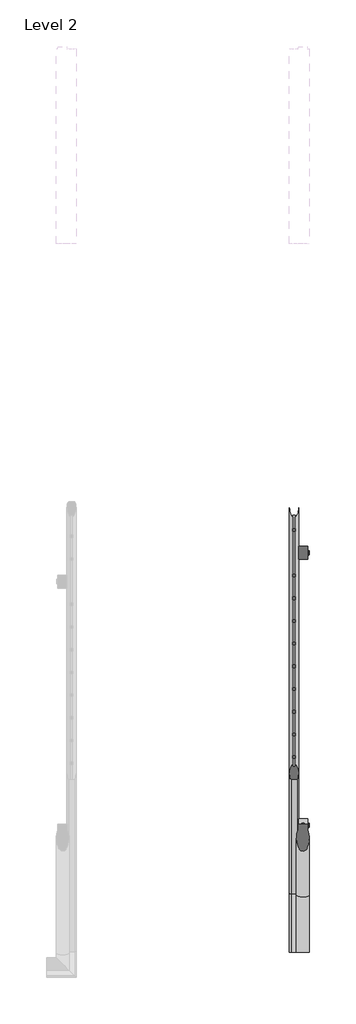
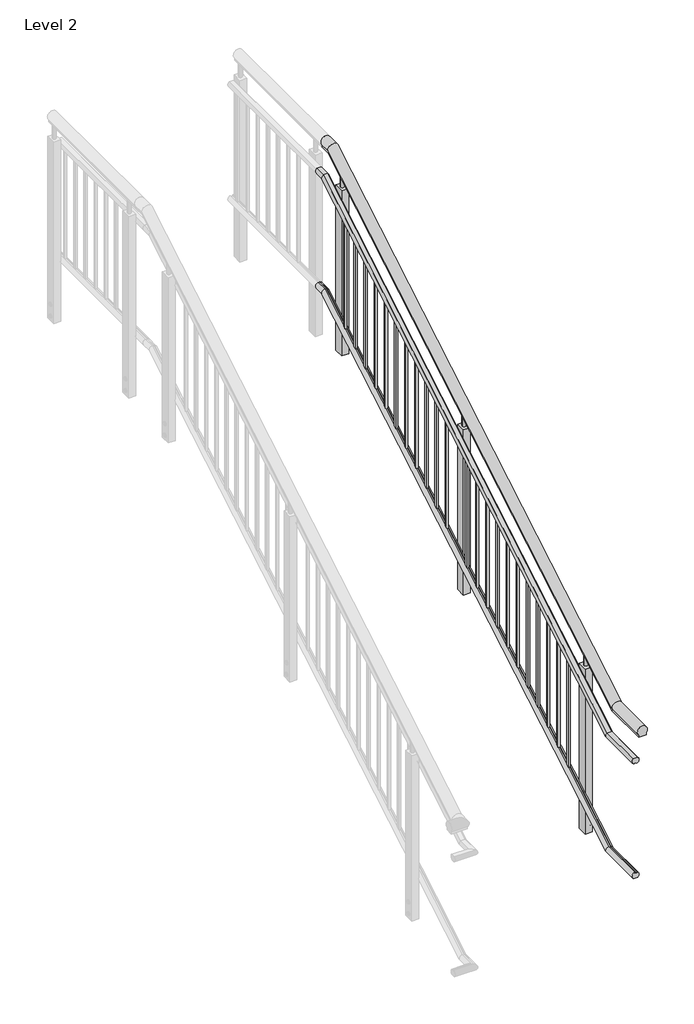
# One storey, part 3 of 4: 1 railing.
"""IFC4 building model written with IfcOpenShell, lengths in millimetres."""

from ifc_helpers import new_model, si_unit, point, frame, frame_2d, origin, place, context, project, spatial, polyline, circle_curve, ellipse_curve, trimmed, segment, composite_curve, outline, extrude, element, save
from ifc_brep_helpers import plane_surface, cylinder_surface, advanced_brep

model = new_model("IFC4")

# Units and contexts
model_context = context("Model", 3, world=origin())
ifc_project = project(units=[si_unit("LENGTHUNIT", "METRE", prefix="MILLI")], contexts=[model_context])

# Site, building, storey
site = spatial("IfcSite", under=ifc_project)
building = spatial("IfcBuilding", under=site)
storey = spatial("IfcBuildingStorey", under=building, Name="Level 2", Elevation=4000.0)

# Railing
placement = place(None, origin())
element("IfcRailing", 1, ObjectType="MT_Accessible stair with Balustrade_Level 3_Left", at=placement, inside=storey, context=model_context, shape_type="SolidModel", body=[
    advanced_brep(
    [(-108.8403154, -553.4846869, 5032.4599864), (-150.5403154, -553.4846869, 5032.4599864), (-150.5403154, -553.4846869, 5019.6542542), (-108.8403154, -553.4846869, 5019.6542542), (-108.8403154, -297.6306864, 5032.4599864), (-150.5403154, -297.6306864, 5032.4599864), (-150.5403154, -294.1232112, 5019.6542542), (-108.8403154, -294.1232112, 5019.6542542), (-108.8403154, 2502.5558159, 6690.8057322), (-150.5403154, 2502.5558159, 6690.8057322), (-150.5403154, 2506.0632911, 6678.0), (-108.8403154, 2506.0632911, 6678.0), (-108.8403154, 2566.5153131, 6690.8057322), (-108.8403154, 2566.5153131, 6678.0), (-150.5403154, 2566.5153131, 6678.0), (-150.5403154, 2566.5153131, 6690.8057322)],
    [
        (0, 1, circle_curve(frame((-129.6903154, -553.4846869, 5051.6542542), z_axis=(0.0, -1.0, 0.0), x_axis=(-1.0, 0.0, 0.0)), 28.3397674)),
        (1, 2),
        (2, 3),
        (3, 0),
        (0, 4),
        (4, 5, ellipse_curve(frame((-129.6903154, -302.8879742, 5051.6542542), z_axis=(0.0, -0.964476413803478, -0.2641689747430273), x_axis=(0.0, -0.26416897474302714, 0.9644764138034783)), 29.3835775, 28.3397674)),
        (5, 1),
        (5, 6),
        (6, 2),
        (6, 7),
        (7, 3),
        (7, 4),
        (4, 8),
        (8, 9, ellipse_curve(frame((-129.6903154, 2497.2985281, 6710.0), z_axis=(0.0, -0.964476413803478, -0.26416897474302725), x_axis=(0.0, 0.2641689747430275, -0.964476413803478)), 29.3835775, 28.3397674)),
        (9, 5),
        (9, 10),
        (10, 6),
        (10, 11),
        (11, 7),
        (11, 8),
        (12, 13),
        (13, 14),
        (14, 15),
        (15, 12, circle_curve(frame((-129.6903154, 2566.5153131, 6710.0), z_axis=(0.0, 1.0, 0.0), x_axis=(-1.0, 0.0, 0.0)), 28.3397674)),
        (8, 12),
        (15, 9),
        (14, 10),
        (13, 11),
    ],
    [
        plane_surface(frame((-129.6903154, -553.4846869, 5019.6542542), z_axis=(0.0, -1.0, 0.0), x_axis=(0.0, 0.0, 1.0))),
        cylinder_surface(frame((-129.6903154, -553.4846869, 5051.6542542), z_axis=(0.0, -1.0, 0.0), x_axis=(-1.0, 0.0, 0.0)), 28.3397674),
        plane_surface(frame((-150.5403154, -553.4846869, 5032.4599864), z_axis=(-1.0, 0.0, 0.0), x_axis=(0.0, 1.0, 0.0))),
        plane_surface(frame((-150.5403154, -553.4846869, 5019.6542542), z_axis=(0.0, 0.0, -1.0), x_axis=(0.0, 1.0, 0.0))),
        plane_surface(frame((-108.8403154, -553.4846869, 5019.6542542), z_axis=(1.0, 0.0, 0.0), x_axis=(0.0, 1.0, 0.0))),
        cylinder_surface(frame((-129.6903154, -310.4294349, 5047.1879984), z_axis=(0.0, -0.8604295055664356, -0.5095694907965931), x_axis=(-1.0, 0.0, 0.0)), 28.3397674),
        plane_surface(frame((-150.5403154, -297.6306864, 5032.4599864), z_axis=(-1.0, 0.0, 0.0), x_axis=(0.0, 0.8604295055664356, 0.5095694907965932))),
        plane_surface(frame((-150.5403154, -294.1232112, 5019.6542542), z_axis=(0.0, 0.5095694907965932, -0.8604295055664356), x_axis=(0.0, 0.8604295055664356, 0.5095694907965932))),
        plane_surface(frame((-108.8403154, -294.1232112, 5019.6542542), z_axis=(1.0, 0.0, 0.0), x_axis=(0.0, 0.8604295055664356, 0.5095694907965932))),
        plane_surface(frame((-129.6903154, 2566.5153131, 6678.0), z_axis=(0.0, 1.0, 0.0), x_axis=(0.0, 0.0, 1.0))),
        cylinder_surface(frame((-129.6903154, 2506.0632911, 6710.0), z_axis=(0.0, -1.0, 0.0), x_axis=(-1.0, 0.0, 0.0)), 28.3397674),
        plane_surface(frame((-150.5403154, 2502.5558159, 6690.8057322), z_axis=(-1.0, 0.0, 0.0), x_axis=(0.0, 1.0, 0.0))),
        plane_surface(frame((-150.5403154, 2506.0632911, 6678.0), z_axis=(0.0, 0.0, -1.0), x_axis=(0.0, 1.0, 0.0))),
        plane_surface(frame((-108.8403154, 2506.0632911, 6678.0), z_axis=(1.0, 0.0, 0.0), x_axis=(0.0, 1.0, 0.0))),
    ],
    [
        (0, [[1, 2, 3, 4]]),
        (1, [[-1, 5, 6, 7]]),
        (2, [[-2, -7, 8, 9]]),
        (3, [[-3, -9, 10, 11]]),
        (4, [[-4, -11, 12, -5]]),
        (5, [[-6, 13, 14, 15]]),
        (6, [[-8, -15, 16, 17]]),
        (7, [[-10, -17, 18, 19]]),
        (8, [[-12, -19, 20, -13]]),
        (9, [[21, 22, 23, 24]]),
        (10, [[-14, 25, -24, 26]]),
        (11, [[-16, -26, -23, 27]]),
        (12, [[-18, -27, -22, 28]]),
        (13, [[-20, -28, -21, -25]]),
    ],
),
    advanced_brep(
    [(-174.9064602, 2566.5153131, 6525.9454038), (-182.0588394, 2566.5153131, 6560.0), (-155.6013263, 2566.5153131, 6560.0), (-163.3238656, 2566.5153131, 6525.7728949), (-163.3238656, 2566.5153131, 6530.0), (-174.9064602, 2566.5153131, 6530.0), (-174.9064602, 2511.282323, 6525.9454038), (-182.0588394, 2501.9548084, 6560.0), (-155.6013263, 2501.9548084, 6560.0), (-163.3238656, 2511.329573, 6525.7728949), (-163.3238656, 2510.1717738, 6530.0), (-174.9064602, 2510.1717738, 6530.0), (-174.9064602, -553.4846869, 4867.599658), (-174.9064602, -553.4846869, 4871.6542542), (-163.3238656, -553.4846869, 4871.6542542), (-163.3238656, -553.4846869, 4867.4271491), (-155.6013263, -553.4846869, 4901.6542542), (-182.0588394, -553.4846869, 4901.6542542), (-174.9064602, -288.9041793, 4867.599658), (-174.9064602, -290.0147285, 4871.6542542), (-163.3238656, -290.0147285, 4871.6542542), (-163.3238656, -288.8569293, 4867.4271491), (-155.6013263, -298.2316939, 4901.6542542), (-182.0588394, -298.2316939, 4901.6542542)],
    [
        (0, 1, circle_curve(frame((-168.8300828, 2566.5153131, 6545.0), z_axis=(0.0, 1.0, 0.0), x_axis=(0.0, 0.0, 1.0)), 20.0)),
        (1, 2),
        (2, 3, circle_curve(frame((-168.8300828, 2566.5153131, 6545.0), z_axis=(0.0, 1.0, 0.0), x_axis=(0.0, 0.0, 1.0)), 20.0)),
        (3, 4),
        (4, 5),
        (5, 0),
        (6, 7, ellipse_curve(frame((-168.8300828, 2506.0632911, 6545.0), z_axis=(0.0, 0.964476413803478, 0.26416897474302725), x_axis=(0.0, -0.26416897474302714, 0.9644764138034783)), 20.7366398, 20.0)),
        (7, 1),
        (0, 6),
        (7, 8),
        (8, 2),
        (8, 9, ellipse_curve(frame((-168.8300828, 2506.0632911, 6545.0), z_axis=(0.0, 0.964476413803478, 0.26416897474302725), x_axis=(0.0, -0.26416897474302714, 0.9644764138034783)), 20.7366398, 20.0)),
        (9, 3),
        (9, 10),
        (10, 4),
        (10, 11),
        (11, 5),
        (11, 6),
        (12, 13),
        (13, 14),
        (14, 15),
        (15, 16, circle_curve(frame((-168.8300828, -553.4846869, 4886.6542542), z_axis=(0.0, -1.0, 0.0), x_axis=(0.0, 0.0, 1.0)), 20.0)),
        (16, 17),
        (17, 12, circle_curve(frame((-168.8300828, -553.4846869, 4886.6542542), z_axis=(0.0, -1.0, 0.0), x_axis=(0.0, 0.0, 1.0)), 20.0)),
        (12, 18),
        (18, 19),
        (19, 13),
        (19, 20),
        (20, 14),
        (20, 21),
        (21, 15),
        (21, 22, ellipse_curve(frame((-168.8300828, -294.1232112, 4886.6542542), z_axis=(0.0, -0.964476413803478, -0.2641689747430273), x_axis=(0.0, -0.26416897474302714, 0.9644764138034783)), 20.7366398, 20.0)),
        (22, 16),
        (22, 23),
        (23, 17),
        (23, 18, ellipse_curve(frame((-168.8300828, -294.1232112, 4886.6542542), z_axis=(0.0, -0.964476413803478, -0.2641689747430273), x_axis=(0.0, -0.26416897474302714, 0.9644764138034783)), 20.7366398, 20.0)),
        (18, 6),
        (11, 19),
        (10, 20),
        (9, 21),
        (8, 22),
        (7, 23),
    ],
    [
        plane_surface(frame((-168.8300828, 2566.5153131, 6545.0), z_axis=(0.0, 1.0, 0.0), x_axis=(0.0, 0.0, 1.0))),
        cylinder_surface(frame((-168.8300828, 2506.0632911, 6545.0), z_axis=(0.0, -1.0, 0.0), x_axis=(0.0, 0.0, 1.0)), 20.0),
        plane_surface(frame((-155.6013263, 2501.9548084, 6560.0), z_axis=(0.0, 0.0, 1.0), x_axis=(0.0, 1.0, 0.0))),
        plane_surface(frame((-163.3238656, 2510.1717738, 6530.0), z_axis=(-1.0, 0.0, 0.0), x_axis=(0.0, 1.0, 0.0))),
        plane_surface(frame((-174.9064602, 2510.1717738, 6530.0), z_axis=(0.0, 0.0, -1.0), x_axis=(0.0, 1.0, 0.0))),
        plane_surface(frame((-174.9064602, 2511.282323, 6525.9454038), z_axis=(1.0, 0.0, 0.0), x_axis=(0.0, 1.0, 0.0))),
        plane_surface(frame((-168.8300828, -553.4846869, 4886.6542542), z_axis=(0.0, -1.0, 0.0), x_axis=(0.0, 0.0, 1.0))),
        plane_surface(frame((-174.9064602, -553.4846869, 4867.599658), z_axis=(1.0, 0.0, 0.0), x_axis=(0.0, 1.0, 0.0))),
        plane_surface(frame((-174.9064602, -553.4846869, 4871.6542542), z_axis=(0.0, 0.0, -1.0), x_axis=(0.0, 1.0, 0.0))),
        plane_surface(frame((-163.3238656, -553.4846869, 4871.6542542), z_axis=(-1.0, 0.0, 0.0), x_axis=(0.0, 1.0, 0.0))),
        cylinder_surface(frame((-168.8300828, -553.4846869, 4886.6542542), z_axis=(0.0, -1.0, 0.0), x_axis=(0.0, 0.0, 1.0)), 20.0),
        plane_surface(frame((-155.6013263, -553.4846869, 4901.6542542), z_axis=(0.0, 0.0, 1.0), x_axis=(0.0, 1.0, 0.0))),
        plane_surface(frame((-174.9064602, -288.9041793, 4867.599658), z_axis=(1.0000000000000002, 0.0, 0.0), x_axis=(0.0, 0.8604295055664357, 0.5095694907965931))),
        plane_surface(frame((-174.9064602, -290.0147285, 4871.6542542), z_axis=(0.0, 0.5095694907965931, -0.8604295055664357), x_axis=(0.0, 0.8604295055664357, 0.5095694907965931))),
        plane_surface(frame((-163.3238656, -290.0147285, 4871.6542542), z_axis=(-1.0000000000000002, 0.0, 0.0), x_axis=(0.0, 0.8604295055664357, 0.5095694907965931))),
        cylinder_surface(frame((-168.8300828, -294.1232112, 4886.6542542), z_axis=(0.0, -0.8604295055664356, -0.5095694907965931), x_axis=(0.0, -0.5095694907965931, 0.8604295055664356)), 20.0),
        plane_surface(frame((-155.6013263, -298.2316939, 4901.6542542), z_axis=(0.0, -0.5095694907965932, 0.8604295055664356), x_axis=(0.0, 0.8604295055664356, 0.5095694907965932))),
    ],
    [
        (0, [[1, 2, 3, 4, 5, 6]]),
        (1, [[7, 8, -1, 9]]),
        (2, [[10, 11, -2, -8]]),
        (1, [[12, 13, -3, -11]]),
        (3, [[14, 15, -4, -13]]),
        (4, [[16, 17, -5, -15]]),
        (5, [[18, -9, -6, -17]]),
        (6, [[19, 20, 21, 22, 23, 24]]),
        (7, [[-19, 25, 26, 27]]),
        (8, [[-20, -27, 28, 29]]),
        (9, [[-21, -29, 30, 31]]),
        (10, [[-22, -31, 32, 33]]),
        (11, [[-23, -33, 34, 35]]),
        (10, [[-24, -35, 36, -25]]),
        (12, [[-26, 37, -18, 38]]),
        (13, [[-28, -38, -16, 39]]),
        (14, [[-30, -39, -14, 40]]),
        (15, [[-32, -40, -12, 41]]),
        (16, [[-34, -41, -10, 42]]),
        (15, [[-36, -42, -7, -37]]),
    ],
),
    advanced_brep(
    [(-162.7537055, 2566.5153131, 5873.0545962), (-155.6013263, 2566.5153131, 5839.0), (-182.0588394, 2566.5153131, 5839.0), (-174.3363, 2566.5153131, 5873.2271051), (-174.3363, 2566.5153131, 5869.0), (-162.7537055, 2566.5153131, 5869.0), (-162.7537055, 2500.8442592, 5873.0545962), (-155.6013263, 2510.1717738, 5839.0), (-182.0588394, 2510.1717738, 5839.0), (-174.3363, 2500.7970092, 5873.2271051), (-174.3363, 2501.9548084, 5869.0), (-162.7537055, 2501.9548084, 5869.0), (-162.7537055, -553.4846869, 4214.7088504), (-162.7537055, -553.4846869, 4210.6542542), (-174.3363, -553.4846869, 4210.6542542), (-174.3363, -553.4846869, 4214.8813593), (-182.0588394, -553.4846869, 4180.6542542), (-155.6013263, -553.4846869, 4180.6542542), (-162.7537055, -299.3422431, 4214.7088504), (-162.7537055, -298.2316939, 4210.6542542), (-174.3363, -298.2316939, 4210.6542542), (-174.3363, -299.3894931, 4214.8813593), (-182.0588394, -290.0147285, 4180.6542542), (-155.6013263, -290.0147285, 4180.6542542)],
    [
        (0, 1, circle_curve(frame((-168.8300828, 2566.5153131, 5854.0), z_axis=(0.0, 1.0, 0.0), x_axis=(0.0, 0.0, -1.0)), 20.0)),
        (1, 2),
        (2, 3, circle_curve(frame((-168.8300828, 2566.5153131, 5854.0), z_axis=(0.0, 1.0, 0.0), x_axis=(0.0, 0.0, -1.0)), 20.0)),
        (3, 4),
        (4, 5),
        (5, 0),
        (6, 7, ellipse_curve(frame((-168.8300828, 2506.0632911, 5854.0), z_axis=(0.0, 0.9644764138034779, 0.26416897474302736), x_axis=(0.0, -0.26416897474302786, 0.9644764138034778)), 20.7366398, 20.0)),
        (7, 1),
        (0, 6),
        (7, 8),
        (8, 2),
        (8, 9, ellipse_curve(frame((-168.8300828, 2506.0632911, 5854.0), z_axis=(0.0, 0.9644764138034779, 0.26416897474302736), x_axis=(0.0, -0.26416897474302786, 0.9644764138034778)), 20.7366398, 20.0)),
        (9, 3),
        (9, 10),
        (10, 4),
        (10, 11),
        (11, 5),
        (11, 6),
        (12, 13),
        (13, 14),
        (14, 15),
        (15, 16, circle_curve(frame((-168.8300828, -553.4846869, 4195.6542542), z_axis=(0.0, -1.0, 0.0), x_axis=(0.0, 0.0, -1.0)), 20.0)),
        (16, 17),
        (17, 12, circle_curve(frame((-168.8300828, -553.4846869, 4195.6542542), z_axis=(0.0, -1.0, 0.0), x_axis=(0.0, 0.0, -1.0)), 20.0)),
        (12, 18),
        (18, 19),
        (19, 13),
        (19, 20),
        (20, 14),
        (20, 21),
        (21, 15),
        (21, 22, ellipse_curve(frame((-168.8300828, -294.1232112, 4195.6542542), z_axis=(0.0, -0.9644764138034779, -0.26416897474302736), x_axis=(0.0, -0.26416897474302786, 0.9644764138034778)), 20.7366398, 20.0)),
        (22, 16),
        (22, 23),
        (23, 17),
        (23, 18, ellipse_curve(frame((-168.8300828, -294.1232112, 4195.6542542), z_axis=(0.0, -0.9644764138034779, -0.26416897474302736), x_axis=(0.0, -0.26416897474302786, 0.9644764138034778)), 20.7366398, 20.0)),
        (18, 6),
        (11, 19),
        (10, 20),
        (9, 21),
        (8, 22),
        (7, 23),
    ],
    [
        plane_surface(frame((-168.8300828, 2566.5153131, 5854.0), z_axis=(0.0, 1.0, 0.0), x_axis=(0.0, 0.0, 1.0))),
        cylinder_surface(frame((-168.8300828, 2506.0632911, 5854.0), z_axis=(0.0, -1.0, 0.0), x_axis=(0.0, 0.0, -1.0)), 20.0),
        plane_surface(frame((-182.0588394, 2510.1717738, 5839.0), z_axis=(0.0, 0.0, -1.0), x_axis=(0.0, 1.0, 0.0))),
        plane_surface(frame((-174.3363, 2501.9548084, 5869.0), z_axis=(1.0, 0.0, 0.0), x_axis=(0.0, 1.0, 0.0))),
        plane_surface(frame((-162.7537055, 2501.9548084, 5869.0), z_axis=(0.0, 0.0, 1.0), x_axis=(0.0, 1.0, 0.0))),
        plane_surface(frame((-162.7537055, 2500.8442592, 5873.0545962), z_axis=(-1.0, 0.0, 0.0), x_axis=(0.0, 1.0, 0.0))),
        plane_surface(frame((-168.8300828, -553.4846869, 4195.6542542), z_axis=(0.0, -1.0, 0.0), x_axis=(0.0, 0.0, 1.0))),
        plane_surface(frame((-162.7537055, -553.4846869, 4214.7088504), z_axis=(-1.0, 0.0, 0.0), x_axis=(0.0, 1.0, 0.0))),
        plane_surface(frame((-162.7537055, -553.4846869, 4210.6542542), z_axis=(0.0, 0.0, 1.0), x_axis=(0.0, 1.0, 0.0))),
        plane_surface(frame((-174.3363, -553.4846869, 4210.6542542), z_axis=(1.0, 0.0, 0.0), x_axis=(0.0, 1.0, 0.0))),
        cylinder_surface(frame((-168.8300828, -553.4846869, 4195.6542542), z_axis=(0.0, -1.0, 0.0), x_axis=(0.0, 0.0, -1.0)), 20.0),
        plane_surface(frame((-182.0588394, -553.4846869, 4180.6542542), z_axis=(0.0, 0.0, -1.0), x_axis=(0.0, 1.0, 0.0))),
        plane_surface(frame((-162.7537055, -299.3422431, 4214.7088504), z_axis=(-1.0, 0.0, 0.0), x_axis=(0.0, 0.8604295055664356, 0.5095694907965931))),
        plane_surface(frame((-162.7537055, -298.2316939, 4210.6542542), z_axis=(0.0, -0.5095694907965934, 0.8604295055664355), x_axis=(0.0, 0.8604295055664355, 0.5095694907965934))),
        plane_surface(frame((-174.3363, -298.2316939, 4210.6542542), z_axis=(1.0, 0.0, 0.0), x_axis=(0.0, 0.8604295055664355, 0.5095694907965934))),
        cylinder_surface(frame((-168.8300828, -294.1232112, 4195.6542542), z_axis=(0.0, -0.8604295055664356, -0.5095694907965933), x_axis=(0.0, 0.5095694907965933, -0.8604295055664356)), 20.0),
        plane_surface(frame((-182.0588394, -290.0147285, 4180.6542542), z_axis=(0.0, 0.5095694907965933, -0.8604295055664356), x_axis=(0.0, 0.8604295055664356, 0.5095694907965933))),
    ],
    [
        (0, [[1, 2, 3, 4, 5, 6]]),
        (1, [[7, 8, -1, 9]]),
        (2, [[10, 11, -2, -8]]),
        (1, [[12, 13, -3, -11]]),
        (3, [[14, 15, -4, -13]]),
        (4, [[16, 17, -5, -15]]),
        (5, [[18, -9, -6, -17]]),
        (6, [[19, 20, 21, 22, 23, 24]]),
        (7, [[-19, 25, 26, 27]]),
        (8, [[-20, -27, 28, 29]]),
        (9, [[-21, -29, 30, 31]]),
        (10, [[-22, -31, 32, 33]]),
        (11, [[-23, -33, 34, 35]]),
        (10, [[-24, -35, 36, -25]]),
        (12, [[-26, 37, -18, 38]]),
        (13, [[-28, -38, -16, 39]]),
        (14, [[-30, -39, -14, 40]]),
        (15, [[-32, -40, -12, 41]]),
        (16, [[-34, -41, -10, 42]]),
        (15, [[-36, -42, -7, -37]]),
    ],
),
    extrude(outline(polyline([(2405.97004, 5577.0464014), (2415.97004, 5571.2728987), (2415.97004, 5559.7258933), (2405.97004, 5553.9523906), (2395.97004, 5559.7258933), (2395.97004, 5571.2728987), (2405.97004, 5577.0464014)])), frame((-108.8300828, 0.0, 0.0), z_axis=(1.0, 0.0, 0.0), x_axis=(0.0, 1.0, 0.0)), (0.0, 0.0, 1.0), 4.0),
    extrude(outline(polyline([(2405.97004, 5647.0464014), (2415.97004, 5641.2728987), (2415.97004, 5629.7258933), (2405.97004, 5623.9523906), (2395.97004, 5629.7258933), (2395.97004, 5641.2728987), (2405.97004, 5647.0464014)])), frame((-108.8300828, 0.0, 0.0), z_axis=(1.0, 0.0, 0.0), x_axis=(0.0, 1.0, 0.0)), (0.0, 0.0, 1.0), 4.0),
    extrude(outline(composite_curve([segment(trimmed(circle_curve(frame_2d((2405.97004, 5565.499396)), 8.0), [point((2397.97004, 5565.499396))], [point((2413.97004, 5565.499396))], False, "CARTESIAN"), True, "CONTINUOUS"), segment(trimmed(circle_curve(frame_2d((2405.97004, 5565.499396)), 8.0), [point((2413.97004, 5565.499396))], [point((2397.97004, 5565.499396))], False, "CARTESIAN"), True, "CONTINUOUS")], self_intersect=False)), frame((-108.8300828, 0.0, 0.0), z_axis=(1.0, 0.0, 0.0), x_axis=(0.0, 1.0, 0.0)), (0.0, 0.0, 1.0), 6.0),
    extrude(outline(composite_curve([segment(trimmed(circle_curve(frame_2d((2405.97004, 5635.499396)), 8.0), [point((2397.97004, 5635.499396))], [point((2413.97004, 5635.499396))], False, "CARTESIAN"), True, "CONTINUOUS"), segment(trimmed(circle_curve(frame_2d((2405.97004, 5635.499396)), 8.0), [point((2413.97004, 5635.499396))], [point((2397.97004, 5635.499396))], False, "CARTESIAN"), True, "CONTINUOUS")], self_intersect=False)), frame((-108.8300828, 0.0, 0.0), z_axis=(1.0, 0.0, 0.0), x_axis=(0.0, 1.0, 0.0)), (0.0, 0.0, 1.0), 6.0),
    extrude(outline(composite_curve([segment(trimmed(circle_curve(frame_2d((-128.8300828, 2405.97004)), 10.0), [point((-118.8300828, 2405.97004))], [point((-138.8300828, 2405.97004))], False, "CARTESIAN"), True, "CONTINUOUS"), segment(trimmed(circle_curve(frame_2d((-128.8300828, 2405.97004)), 10.0), [point((-138.8300828, 2405.97004))], [point((-118.8300828, 2405.97004))], False, "CARTESIAN"), True, "CONTINUOUS")], self_intersect=False)), frame((0.0, 0.0, 6529.499396), z_axis=(0.0, 0.0, 1.0), x_axis=(1.0, 0.0, 0.0)), (0.0, 0.0, 1.0), 100.0),
    extrude(outline(polyline([(-148.8300828, 2376.97004), (-148.8300828, 2434.97004), (-108.8300828, 2434.97004), (-108.8300828, 2376.97004), (-148.8300828, 2376.97004)])), frame((0.0, 0.0, 5535.499396), z_axis=(0.0, 0.0, 1.0), x_axis=(1.0, 0.0, 0.0)), (0.0, 0.0, 1.0), 994.0),
    extrude(outline(polyline([(-174.8300828, 2299.97004), (-174.8300828, 2311.97004), (-162.8300828, 2311.97004), (-162.8300828, 2299.97004), (-174.8300828, 2299.97004)])), frame((0.0, 0.0, 5746.2767069), z_axis=(0.0, 0.0, 1.0), x_axis=(1.0, 0.0, 0.0)), (0.0, 0.0, 1.0), 671.0),
    extrude(outline(polyline([(-174.8300828, 2199.97004), (-174.8300828, 2211.97004), (-162.8300828, 2211.97004), (-162.8300828, 2199.97004), (-174.8300828, 2199.97004)])), frame((0.0, 0.0, 5687.0540179), z_axis=(0.0, 0.0, 1.0), x_axis=(1.0, 0.0, 0.0)), (0.0, 0.0, 1.0), 671.0),
    extrude(outline(polyline([(-174.8300828, 2099.97004), (-174.8300828, 2111.97004), (-162.8300828, 2111.97004), (-162.8300828, 2099.97004), (-174.8300828, 2099.97004)])), frame((0.0, 0.0, 5627.8313288), z_axis=(0.0, 0.0, 1.0), x_axis=(1.0, 0.0, 0.0)), (0.0, 0.0, 1.0), 671.0),
    extrude(outline(polyline([(-174.8300828, 1999.97004), (-174.8300828, 2011.97004), (-162.8300828, 2011.97004), (-162.8300828, 1999.97004), (-174.8300828, 1999.97004)])), frame((0.0, 0.0, 5568.6086397), z_axis=(0.0, 0.0, 1.0), x_axis=(1.0, 0.0, 0.0)), (0.0, 0.0, 1.0), 671.0),
    extrude(outline(polyline([(-174.8300828, 1899.97004), (-174.8300828, 1911.97004), (-162.8300828, 1911.97004), (-162.8300828, 1899.97004), (-174.8300828, 1899.97004)])), frame((0.0, 0.0, 5509.3859506), z_axis=(0.0, 0.0, 1.0), x_axis=(1.0, 0.0, 0.0)), (0.0, 0.0, 1.0), 671.0),
    extrude(outline(polyline([(-174.8300828, 1799.97004), (-174.8300828, 1811.97004), (-162.8300828, 1811.97004), (-162.8300828, 1799.97004), (-174.8300828, 1799.97004)])), frame((0.0, 0.0, 5450.1632616), z_axis=(0.0, 0.0, 1.0), x_axis=(1.0, 0.0, 0.0)), (0.0, 0.0, 1.0), 671.0),
    extrude(outline(polyline([(-174.8300828, 1699.97004), (-174.8300828, 1711.97004), (-162.8300828, 1711.97004), (-162.8300828, 1699.97004), (-174.8300828, 1699.97004)])), frame((0.0, 0.0, 5390.9405725), z_axis=(0.0, 0.0, 1.0), x_axis=(1.0, 0.0, 0.0)), (0.0, 0.0, 1.0), 671.0),
    extrude(outline(polyline([(-174.8300828, 1599.97004), (-174.8300828, 1611.97004), (-162.8300828, 1611.97004), (-162.8300828, 1599.97004), (-174.8300828, 1599.97004)])), frame((0.0, 0.0, 5331.7178834), z_axis=(0.0, 0.0, 1.0), x_axis=(1.0, 0.0, 0.0)), (0.0, 0.0, 1.0), 671.0),
    extrude(outline(polyline([(-174.8300828, 1499.97004), (-174.8300828, 1511.97004), (-162.8300828, 1511.97004), (-162.8300828, 1499.97004), (-174.8300828, 1499.97004)])), frame((0.0, 0.0, 5272.4951943), z_axis=(0.0, 0.0, 1.0), x_axis=(1.0, 0.0, 0.0)), (0.0, 0.0, 1.0), 671.0),
    extrude(outline(polyline([(-174.8300828, 1399.97004), (-174.8300828, 1411.97004), (-162.8300828, 1411.97004), (-162.8300828, 1399.97004), (-174.8300828, 1399.97004)])), frame((0.0, 0.0, 5213.2725053), z_axis=(0.0, 0.0, 1.0), x_axis=(1.0, 0.0, 0.0)), (0.0, 0.0, 1.0), 671.0),
    extrude(outline(polyline([(-174.8300828, 1299.97004), (-174.8300828, 1311.97004), (-162.8300828, 1311.97004), (-162.8300828, 1299.97004), (-174.8300828, 1299.97004)])), frame((0.0, 0.0, 5154.0498162), z_axis=(0.0, 0.0, 1.0), x_axis=(1.0, 0.0, 0.0)), (0.0, 0.0, 1.0), 671.0),
    extrude(outline(polyline([(1205.97004, 4866.3741325), (1215.97004, 4860.6006298), (1215.97004, 4849.0536244), (1205.97004, 4843.2801217), (1195.97004, 4849.0536244), (1195.97004, 4860.6006298), (1205.97004, 4866.3741325)])), frame((-108.8300828, 0.0, 0.0), z_axis=(1.0, 0.0, 0.0), x_axis=(0.0, 1.0, 0.0)), (0.0, 0.0, 1.0), 4.0),
    extrude(outline(polyline([(1205.97004, 4936.3741325), (1215.97004, 4930.6006298), (1215.97004, 4919.0536244), (1205.97004, 4913.2801217), (1195.97004, 4919.0536244), (1195.97004, 4930.6006298), (1205.97004, 4936.3741325)])), frame((-108.8300828, 0.0, 0.0), z_axis=(1.0, 0.0, 0.0), x_axis=(0.0, 1.0, 0.0)), (0.0, 0.0, 1.0), 4.0),
    extrude(outline(composite_curve([segment(trimmed(circle_curve(frame_2d((1205.97004, 4854.8271271)), 8.0), [point((1197.97004, 4854.8271271))], [point((1213.97004, 4854.8271271))], False, "CARTESIAN"), True, "CONTINUOUS"), segment(trimmed(circle_curve(frame_2d((1205.97004, 4854.8271271)), 8.0), [point((1213.97004, 4854.8271271))], [point((1197.97004, 4854.8271271))], False, "CARTESIAN"), True, "CONTINUOUS")], self_intersect=False)), frame((-108.8300828, 0.0, 0.0), z_axis=(1.0, 0.0, 0.0), x_axis=(0.0, 1.0, 0.0)), (0.0, 0.0, 1.0), 6.0),
    extrude(outline(composite_curve([segment(trimmed(circle_curve(frame_2d((1205.97004, 4924.8271271)), 8.0), [point((1197.97004, 4924.8271271))], [point((1213.97004, 4924.8271271))], False, "CARTESIAN"), True, "CONTINUOUS"), segment(trimmed(circle_curve(frame_2d((1205.97004, 4924.8271271)), 8.0), [point((1213.97004, 4924.8271271))], [point((1197.97004, 4924.8271271))], False, "CARTESIAN"), True, "CONTINUOUS")], self_intersect=False)), frame((-108.8300828, 0.0, 0.0), z_axis=(1.0, 0.0, 0.0), x_axis=(0.0, 1.0, 0.0)), (0.0, 0.0, 1.0), 6.0),
    extrude(outline(composite_curve([segment(trimmed(circle_curve(frame_2d((-128.8300828, 1205.97004)), 10.0), [point((-118.8300828, 1205.97004))], [point((-138.8300828, 1205.97004))], False, "CARTESIAN"), True, "CONTINUOUS"), segment(trimmed(circle_curve(frame_2d((-128.8300828, 1205.97004)), 10.0), [point((-138.8300828, 1205.97004))], [point((-118.8300828, 1205.97004))], False, "CARTESIAN"), True, "CONTINUOUS")], self_intersect=False)), frame((0.0, 0.0, 5818.8271271), z_axis=(0.0, 0.0, 1.0), x_axis=(1.0, 0.0, 0.0)), (0.0, 0.0, 1.0), 100.0),
    extrude(outline(polyline([(-148.8300828, 1176.97004), (-148.8300828, 1234.97004), (-108.8300828, 1234.97004), (-108.8300828, 1176.97004), (-148.8300828, 1176.97004)])), frame((0.0, 0.0, 4824.8271271), z_axis=(0.0, 0.0, 1.0), x_axis=(1.0, 0.0, 0.0)), (0.0, 0.0, 1.0), 994.0),
    extrude(outline(polyline([(-174.8300828, 1099.97004), (-174.8300828, 1111.97004), (-162.8300828, 1111.97004), (-162.8300828, 1099.97004), (-174.8300828, 1099.97004)])), frame((0.0, 0.0, 5035.604438), z_axis=(0.0, 0.0, 1.0), x_axis=(1.0, 0.0, 0.0)), (0.0, 0.0, 1.0), 671.0),
    extrude(outline(polyline([(-174.8300828, 999.97004), (-174.8300828, 1011.97004), (-162.8300828, 1011.97004), (-162.8300828, 999.97004), (-174.8300828, 999.97004)])), frame((0.0, 0.0, 4976.3817489), z_axis=(0.0, 0.0, 1.0), x_axis=(1.0, 0.0, 0.0)), (0.0, 0.0, 1.0), 671.0),
    extrude(outline(polyline([(-174.8300828, 899.97004), (-174.8300828, 911.97004), (-162.8300828, 911.97004), (-162.8300828, 899.97004), (-174.8300828, 899.97004)])), frame((0.0, 0.0, 4917.1590599), z_axis=(0.0, 0.0, 1.0), x_axis=(1.0, 0.0, 0.0)), (0.0, 0.0, 1.0), 671.0),
    extrude(outline(polyline([(-174.8300828, 799.97004), (-174.8300828, 811.97004), (-162.8300828, 811.97004), (-162.8300828, 799.97004), (-174.8300828, 799.97004)])), frame((0.0, 0.0, 4857.9363708), z_axis=(0.0, 0.0, 1.0), x_axis=(1.0, 0.0, 0.0)), (0.0, 0.0, 1.0), 671.0),
    extrude(outline(polyline([(-174.8300828, 699.97004), (-174.8300828, 711.97004), (-162.8300828, 711.97004), (-162.8300828, 699.97004), (-174.8300828, 699.97004)])), frame((0.0, 0.0, 4798.7136817), z_axis=(0.0, 0.0, 1.0), x_axis=(1.0, 0.0, 0.0)), (0.0, 0.0, 1.0), 671.0),
    extrude(outline(polyline([(-174.8300828, 599.97004), (-174.8300828, 611.97004), (-162.8300828, 611.97004), (-162.8300828, 599.97004), (-174.8300828, 599.97004)])), frame((0.0, 0.0, 4739.4909926), z_axis=(0.0, 0.0, 1.0), x_axis=(1.0, 0.0, 0.0)), (0.0, 0.0, 1.0), 671.0),
    extrude(outline(polyline([(-174.8300828, 499.97004), (-174.8300828, 511.97004), (-162.8300828, 511.97004), (-162.8300828, 499.97004), (-174.8300828, 499.97004)])), frame((0.0, 0.0, 4680.2683036), z_axis=(0.0, 0.0, 1.0), x_axis=(1.0, 0.0, 0.0)), (0.0, 0.0, 1.0), 671.0),
    extrude(outline(polyline([(-174.8300828, 399.97004), (-174.8300828, 411.97004), (-162.8300828, 411.97004), (-162.8300828, 399.97004), (-174.8300828, 399.97004)])), frame((0.0, 0.0, 4621.0456145), z_axis=(0.0, 0.0, 1.0), x_axis=(1.0, 0.0, 0.0)), (0.0, 0.0, 1.0), 671.0),
    extrude(outline(polyline([(-174.8300828, 299.97004), (-174.8300828, 311.97004), (-162.8300828, 311.97004), (-162.8300828, 299.97004), (-174.8300828, 299.97004)])), frame((0.0, 0.0, 4561.8229254), z_axis=(0.0, 0.0, 1.0), x_axis=(1.0, 0.0, 0.0)), (0.0, 0.0, 1.0), 671.0),
    extrude(outline(polyline([(-174.8300828, 199.97004), (-174.8300828, 211.97004), (-162.8300828, 211.97004), (-162.8300828, 199.97004), (-174.8300828, 199.97004)])), frame((0.0, 0.0, 4502.6002363), z_axis=(0.0, 0.0, 1.0), x_axis=(1.0, 0.0, 0.0)), (0.0, 0.0, 1.0), 671.0),
    extrude(outline(polyline([(-174.8300828, 99.97004), (-174.8300828, 111.97004), (-162.8300828, 111.97004), (-162.8300828, 99.97004), (-174.8300828, 99.97004)])), frame((0.0, 0.0, 4443.3775473), z_axis=(0.0, 0.0, 1.0), x_axis=(1.0, 0.0, 0.0)), (0.0, 0.0, 1.0), 671.0),
    extrude(outline(polyline([(5.97004, 4155.7018636), (15.97004, 4149.9283609), (15.97004, 4138.3813555), (5.97004, 4132.6078528), (-4.02996, 4138.3813555), (-4.02996, 4149.9283609), (5.97004, 4155.7018636)])), frame((-108.8300828, 0.0, 0.0), z_axis=(1.0, 0.0, 0.0), x_axis=(0.0, 1.0, 0.0)), (0.0, 0.0, 1.0), 4.0),
    extrude(outline(polyline([(5.97004, 4225.7018636), (15.97004, 4219.9283609), (15.97004, 4208.3813555), (5.97004, 4202.6078528), (-4.02996, 4208.3813555), (-4.02996, 4219.9283609), (5.97004, 4225.7018636)])), frame((-108.8300828, 0.0, 0.0), z_axis=(1.0, 0.0, 0.0), x_axis=(0.0, 1.0, 0.0)), (0.0, 0.0, 1.0), 4.0),
    extrude(outline(composite_curve([segment(trimmed(circle_curve(frame_2d((5.97004, 4144.1548582)), 8.0), [point((-2.02996, 4144.1548582))], [point((13.97004, 4144.1548582))], False, "CARTESIAN"), True, "CONTINUOUS"), segment(trimmed(circle_curve(frame_2d((5.97004, 4144.1548582)), 8.0), [point((13.97004, 4144.1548582))], [point((-2.02996, 4144.1548582))], False, "CARTESIAN"), True, "CONTINUOUS")], self_intersect=False)), frame((-108.8300828, 0.0, 0.0), z_axis=(1.0, 0.0, 0.0), x_axis=(0.0, 1.0, 0.0)), (0.0, 0.0, 1.0), 6.0),
    extrude(outline(composite_curve([segment(trimmed(circle_curve(frame_2d((5.97004, 4214.1548582)), 8.0), [point((-2.02996, 4214.1548582))], [point((13.97004, 4214.1548582))], False, "CARTESIAN"), True, "CONTINUOUS"), segment(trimmed(circle_curve(frame_2d((5.97004, 4214.1548582)), 8.0), [point((13.97004, 4214.1548582))], [point((-2.02996, 4214.1548582))], False, "CARTESIAN"), True, "CONTINUOUS")], self_intersect=False)), frame((-108.8300828, 0.0, 0.0), z_axis=(1.0, 0.0, 0.0), x_axis=(0.0, 1.0, 0.0)), (0.0, 0.0, 1.0), 6.0),
    extrude(outline(composite_curve([segment(trimmed(circle_curve(frame_2d((-128.8300828, 5.97004)), 10.0), [point((-118.8300828, 5.97004))], [point((-138.8300828, 5.97004))], False, "CARTESIAN"), True, "CONTINUOUS"), segment(trimmed(circle_curve(frame_2d((-128.8300828, 5.97004)), 10.0), [point((-138.8300828, 5.97004))], [point((-118.8300828, 5.97004))], False, "CARTESIAN"), True, "CONTINUOUS")], self_intersect=False)), frame((0.0, 0.0, 5108.1548582), z_axis=(0.0, 0.0, 1.0), x_axis=(1.0, 0.0, 0.0)), (0.0, 0.0, 1.0), 100.0),
    extrude(outline(polyline([(-148.8300828, -23.02996), (-148.8300828, 34.97004), (-108.8300828, 34.97004), (-108.8300828, -23.02996), (-148.8300828, -23.02996)])), frame((0.0, 0.0, 4114.1548582), z_axis=(0.0, 0.0, 1.0), x_axis=(1.0, 0.0, 0.0)), (0.0, 0.0, 1.0), 994.0),
])

save(model, "model.ifc")
